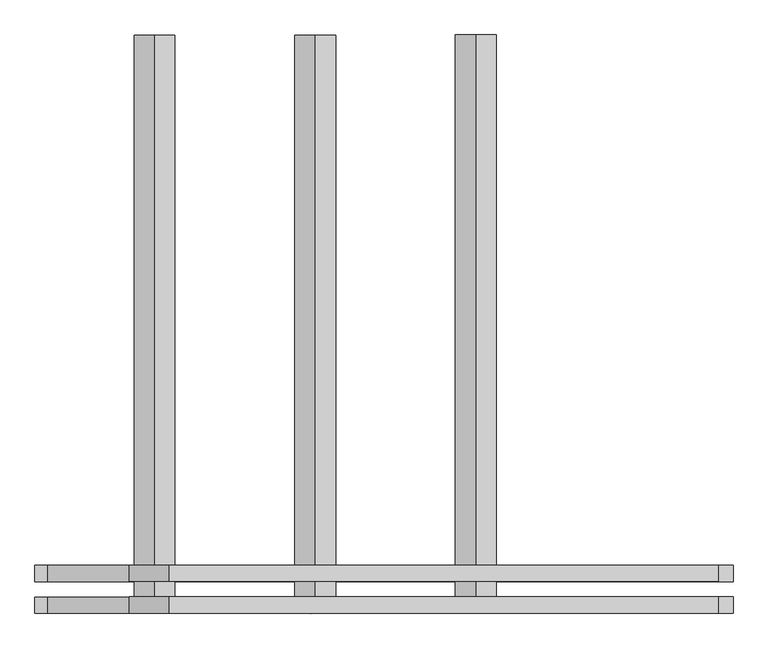
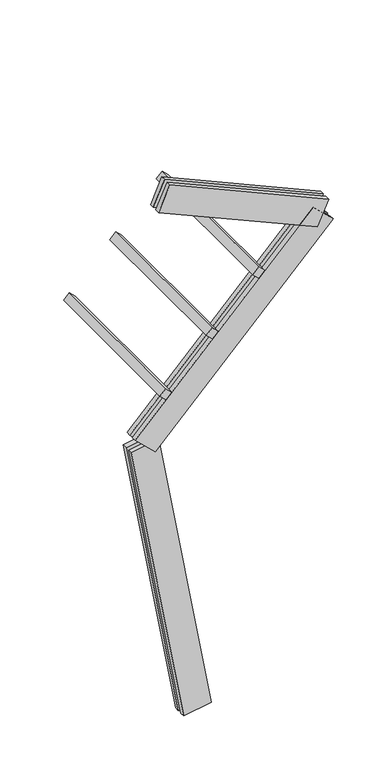
"""IFC4 building model written with IfcOpenShell, lengths in millimetres: proxy geometry."""

from ifc_helpers import new_model, si_unit, frame, origin, place, context, project, spatial, polyline, outline, extrude, source, transform, mapped, element, save


def generic_models_11044727(model_context):
    return source(origin(), model_context, "Body", "SweptSolid", [
        extrude(outline(polyline([(0.0, 1500.0), (75.0, 1500.0), (75.0, 0.0), (0.0, 0.0), (0.0, 1500.0)])), frame((-334.8546916, -62.5, 3085.6485274), z_axis=(0.6946583704589979, 0.0, 0.7193398003386506), x_axis=(0.7193398003386506, 0.0, -0.6946583704589979)), (0.0, 0.0, 1.0), 75.0),
        extrude(outline(polyline([(0.0, 1500.0), (75.0, 1500.0), (75.0, 0.0), (0.0, 0.0), (0.0, 1500.0)])), frame((81.9403307, -62.5, 3517.2524076), z_axis=(0.6946583704589979, 0.0, 0.7193398003386506), x_axis=(0.7193398003386506, 0.0, -0.6946583704589979)), (0.0, 0.0, 1.0), 75.0),
        extrude(outline(polyline([(0.0, 1500.0), (75.0, 1500.0), (75.0, 0.0), (0.0, 0.0), (0.0, 1500.0)])), frame((498.735353, -62.5, 3948.8562878), z_axis=(0.6946583704589979, 0.0, 0.7193398003386506), x_axis=(0.7193398003386506, 0.0, -0.6946583704589979)), (0.0, 0.0, 1.0), 75.0),
        extrude(outline(polyline([(1560.0000001, 125.0), (1560.0000001, 82.5), (0.0, 82.5), (0.0, 125.0), (1560.0000001, 125.0)])), frame((1078.022092, 62.5, 4199.2692917), z_axis=(0.40673664307580293, 0.0, 0.9135454576425998), x_axis=(-0.9135454576425998, 0.0, 0.40673664307580293)), (0.0, 0.0, 1.0), 250.0),
        extrude(outline(polyline([(0.0, 0.0), (0.0, 42.5), (1560.0000001, 42.5), (1560.0000001, 0.0), (0.0, 0.0)])), frame((1078.022092, 62.5, 4199.2692917), z_axis=(0.40673664307580293, 0.0, 0.9135454576425998), x_axis=(-0.9135454576425998, 0.0, 0.40673664307580293)), (0.0, 0.0, 1.0), 250.0),
        extrude(outline(polyline([(-125.0, 249.9999999), (-82.5, 249.9999999), (-82.5, 0.0), (-125.0, 0.0), (-125.0, 249.9999999)])), frame((-378.9326047, 62.5, 2572.1486368), z_axis=(0.6946583704589979, 0.0, 0.7193398003386506), x_axis=(0.0, 1.0, 0.0)), (0.0, 0.0, 1.0), 2300.0),
        extrude(outline(polyline([(0.0, 0.0), (-42.5, 0.0), (-42.5, 249.9999999), (0.0, 249.9999999), (0.0, 0.0)])), frame((-378.9326047, 62.5, 2572.1486368), z_axis=(0.6946583704589979, 0.0, 0.7193398003386506), x_axis=(0.0, 1.0, 0.0)), (0.0, 0.0, 1.0), 2300.0),
        extrude(outline(polyline([(-125.0, 249.9999999), (-82.5, 249.9999999), (-82.5, 0.0), (-125.0, 0.0), (-125.0, 249.9999999)])), frame((123.1009691, 62.5, 21.7060222), z_axis=(-0.17364817766693158, 0.0, 0.9848077530122079), x_axis=(0.0, 1.0, 0.0)), (0.0, 0.0, 1.0), 2700.0),
        extrude(outline(polyline([(0.0, 0.0), (-42.5, 0.0), (-42.5, 249.9999999), (0.0, 249.9999999), (0.0, 0.0)])), frame((123.1009691, 62.5, 21.7060222), z_axis=(-0.17364817766693158, 0.0, 0.9848077530122079), x_axis=(0.0, 1.0, 0.0)), (0.0, 0.0, 1.0), 2700.0),
    ])


if __name__ == "__main__":
    model = new_model("IFC4")
    model_context = context("Model", 3, world=origin())
    ifc_project = project(units=[si_unit("LENGTHUNIT", "METRE", prefix="MILLI")], contexts=[model_context])
    site = spatial("IfcSite", under=ifc_project)
    building = spatial("IfcBuilding", under=site)
    placement = place(None, origin())
    generic_models_shape = generic_models_11044727(model_context)
    element("IfcBuildingElementProxy", 1, Name="Generic Models", at=placement, inside=building, context=model_context, shape_type="MappedRepresentation", body=[
        mapped(generic_models_shape, transform((0.0, 0.0, 0.0), x_axis=(1.0, 0.0, 0.0), y_axis=(0.0, 1.0, 0.0), z_axis=(0.0, 0.0, 1.0))),
    ])
    save(model, "model.ifc")
